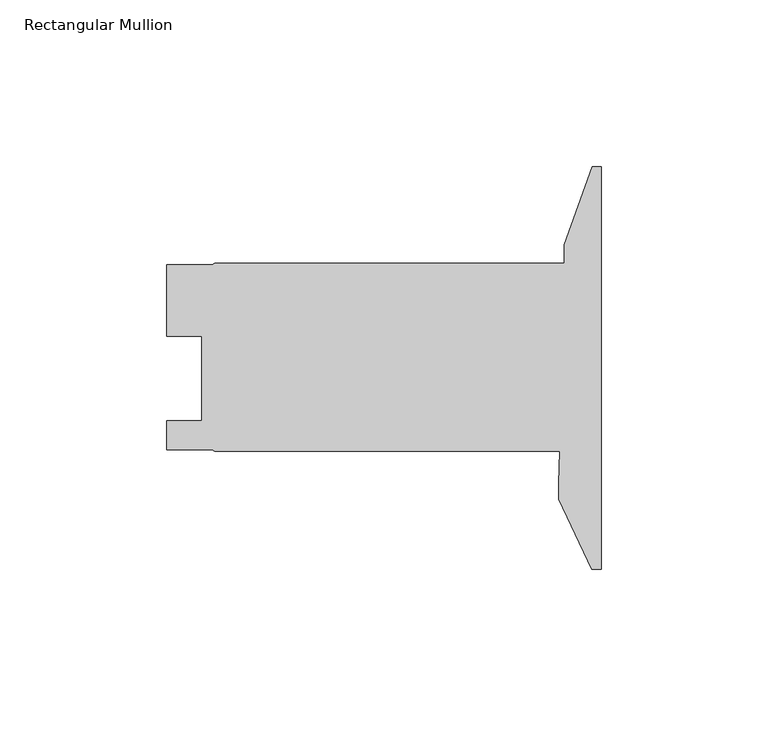
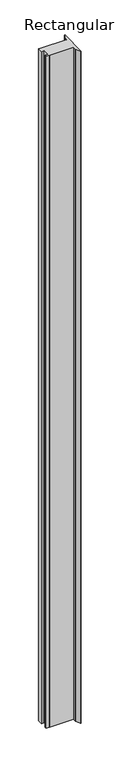
"""IFC4 building model written with IfcOpenShell, lengths in millimetres: member geometry, Rectangular Mullion."""

from ifc_helpers import new_model, si_unit, point, frame, frame_2d, origin, place, context, project, spatial, polyline, circle_curve, trimmed, segment, composite_curve, outline, extrude, source, transform, mapped, element, save


def rectangular_mullion_b3f8f9d8(model_context):
    return source(origin(), model_context, "Body", "SweptSolid", [
        extrude(outline(composite_curve([segment(polyline([(0.0, 82.6580333), (0.0, -37.9920938), (-2.8692427, -37.9920938), (-12.7, -16.9099668), (-12.7, -12.1220667)]), True, "CONTINUOUS"), segment(trimmed(circle_curve(frame_2d((-107.9375442, -4.1845667)), 95.5677442), [point((-12.7, -12.1220667))], [point((-12.3819928, -2.6580267))], True, "CARTESIAN"), True, "CONTINUOUS"), segment(polyline([(-12.3819928, -2.6580267), (-115.8875, -2.6580267), (-116.549518, -2.1944767), (-130.175, -2.1944767), (-130.175, 6.5431233), (-119.732425, 6.5431233), (-119.732425, 31.9431233), (-130.1622998, 31.9431233), (-130.1622998, 53.3743734), (-116.5404491, 53.3743734), (-115.8875, 53.8315733), (-11.1252, 53.8315733), (-11.1252, 59.2581493), (-2.6083388, 82.6580333), (0.0, 82.6580333)]), True, "CONTINUOUS")], self_intersect=False)), frame((0.0, 0.0, -3048.0), z_axis=(0.0, 0.0, 1.0), x_axis=(1.0, 0.0, 0.0)), (0.0, 0.0, 1.0), 3048.0),
    ])


if __name__ == "__main__":
    model = new_model("IFC4")
    model_context = context("Model", 3, world=origin())
    ifc_project = project(units=[si_unit("LENGTHUNIT", "METRE", prefix="MILLI")], contexts=[model_context])
    site = spatial("IfcSite", under=ifc_project)
    building = spatial("IfcBuilding", under=site)
    placement = place(None, origin())
    rectangular_mullion_shape = rectangular_mullion_b3f8f9d8(model_context)
    element("IfcMember", 1, ObjectType="Rectangular Mullion", at=placement, inside=building, context=model_context, shape_type="MappedRepresentation", body=[
        mapped(rectangular_mullion_shape, transform((0.0, 0.0, 0.0), x_axis=(1.0, 0.0, 0.0), y_axis=(0.0, 1.0, 0.0), z_axis=(0.0, 0.0, 1.0))),
    ])
    save(model, "model.ifc")
